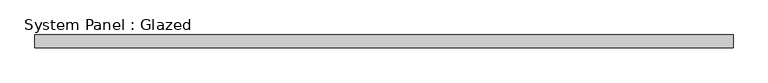
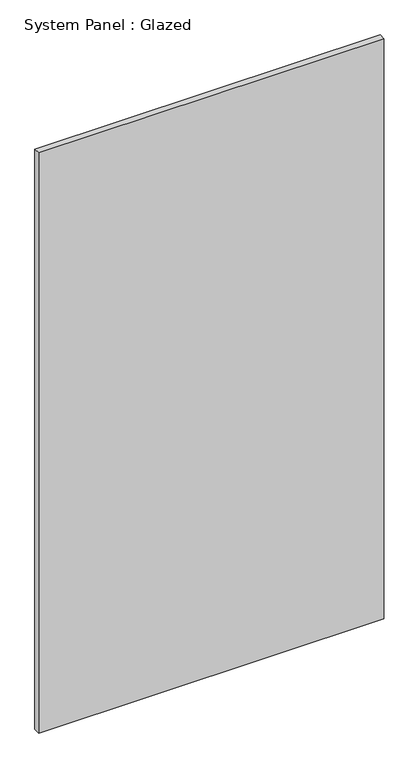
"""IFC4 building model written with IfcOpenShell, lengths in millimetres: plate geometry, System Panel : Glazed."""

from ifc_helpers import new_model, si_unit, origin, origin_with_axes, place, context, project, spatial, polyline, outline, extrude, source, transform, mapped, element, save


def system_panel_glazed_5e5e9a51(model_context):
    return source(origin(), model_context, "Body", "SweptSolid", [
        extrude(outline(polyline([(677.8571429, -49.5), (-677.8571429, -49.5), (-677.8571429, -24.5), (677.8571429, -24.5), (677.8571429, -49.5)])), origin_with_axes(), (0.0, 0.0, 1.0), 2410.0),
    ])


if __name__ == "__main__":
    model = new_model("IFC4")
    model_context = context("Model", 3, world=origin())
    ifc_project = project(units=[si_unit("LENGTHUNIT", "METRE", prefix="MILLI")], contexts=[model_context])
    site = spatial("IfcSite", under=ifc_project)
    building = spatial("IfcBuilding", under=site)
    placement = place(None, origin())
    system_panel_glazed_shape = system_panel_glazed_5e5e9a51(model_context)
    element("IfcPlate", 1, ObjectType="System Panel : Glazed", at=placement, inside=building, context=model_context, shape_type="MappedRepresentation", body=[
        mapped(system_panel_glazed_shape, transform((0.0, 0.0, 0.0), x_axis=(1.0, 0.0, 0.0), y_axis=(0.0, 1.0, 0.0), z_axis=(0.0, 0.0, 1.0))),
    ])
    save(model, "model.ifc")
